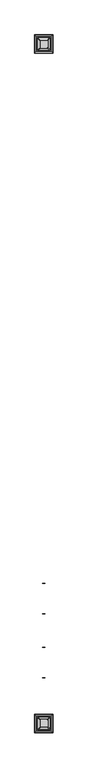
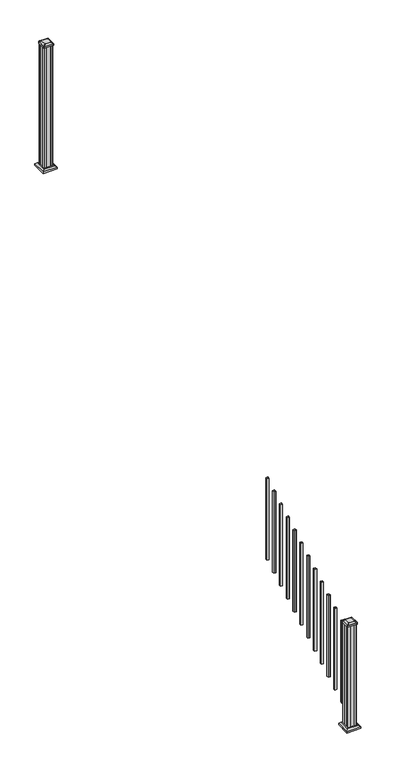
"""IFC4 building model written with IfcOpenShell, lengths in millimetres: railing geometry."""

from ifc_helpers import new_model, si_unit, point, frame, frame_2d, origin, place, context, project, spatial, polyline, circle_curve, trimmed, segment, composite_curve, outline, extrude, faceted_brep, source, transform, mapped, element, save
from ifc_brep_helpers import plane_surface, extruded_surface, advanced_brep


def railing_98dac786(model_context):
    return source(origin(), model_context, "Body", "SolidModel", [
        extrude(outline(polyline([(8375.4692659, 3072.7930319), (8375.4692659, 3091.8430319), (8394.5192659, 3091.8430319), (8394.5192659, 3072.7930319), (8375.4692659, 3072.7930319)]), holes=[polyline([(8375.8661409, 3073.1899069), (8394.1223909, 3073.1899069), (8394.1223909, 3091.4461569), (8375.8661409, 3091.4461569), (8375.8661409, 3073.1899069)])]), frame((0.0, 0.0, 995.0056003), z_axis=(0.0, 0.0, 1.0), x_axis=(1.0, 0.0, 0.0)), (0.0, 0.0, 1.0), 812.8041219),
        extrude(outline(polyline([(8375.4692659, 2961.6680319), (8375.4692659, 2980.7180319), (8394.5192659, 2980.7180319), (8394.5192659, 2961.6680319), (8375.4692659, 2961.6680319)]), holes=[polyline([(8375.8661409, 2962.0649069), (8394.1223909, 2962.0649069), (8394.1223909, 2980.3211569), (8375.8661409, 2980.3211569), (8375.8661409, 2962.0649069)])]), frame((0.0, 0.0, 933.2694892), z_axis=(0.0, 0.0, 1.0), x_axis=(1.0, 0.0, 0.0)), (0.0, 0.0, 1.0), 812.8041219),
        extrude(outline(polyline([(8375.4692659, 2850.5430319), (8375.4692659, 2869.5930319), (8394.5192659, 2869.5930319), (8394.5192659, 2850.5430319), (8375.4692659, 2850.5430319)]), holes=[polyline([(8375.8661409, 2850.9399069), (8394.1223909, 2850.9399069), (8394.1223909, 2869.1961569), (8375.8661409, 2869.1961569), (8375.8661409, 2850.9399069)])]), frame((0.0, 0.0, 871.5333781), z_axis=(0.0, 0.0, 1.0), x_axis=(1.0, 0.0, 0.0)), (0.0, 0.0, 1.0), 812.8041219),
        extrude(outline(polyline([(8375.4692659, 2739.4180319), (8375.4692659, 2758.4680319), (8394.5192659, 2758.4680319), (8394.5192659, 2739.4180319), (8375.4692659, 2739.4180319)]), holes=[polyline([(8375.8661409, 2739.8149069), (8394.1223909, 2739.8149069), (8394.1223909, 2758.0711569), (8375.8661409, 2758.0711569), (8375.8661409, 2739.8149069)])]), frame((0.0, 0.0, 809.797267), z_axis=(0.0, 0.0, 1.0), x_axis=(1.0, 0.0, 0.0)), (0.0, 0.0, 1.0), 812.8041219),
        extrude(outline(polyline([(8375.4692659, 2628.2930319), (8375.4692659, 2647.3430319), (8394.5192659, 2647.3430319), (8394.5192659, 2628.2930319), (8375.4692659, 2628.2930319)]), holes=[polyline([(8375.8661409, 2628.6899069), (8394.1223909, 2628.6899069), (8394.1223909, 2646.9461569), (8375.8661409, 2646.9461569), (8375.8661409, 2628.6899069)])]), frame((0.0, 0.0, 748.0611558), z_axis=(0.0, 0.0, 1.0), x_axis=(1.0, 0.0, 0.0)), (0.0, 0.0, 1.0), 812.8041219),
        extrude(outline(polyline([(8375.4692659, 2517.1680319), (8375.4692659, 2536.2180319), (8394.5192659, 2536.2180319), (8394.5192659, 2517.1680319), (8375.4692659, 2517.1680319)]), holes=[polyline([(8375.8661409, 2517.5649069), (8394.1223909, 2517.5649069), (8394.1223909, 2535.8211569), (8375.8661409, 2535.8211569), (8375.8661409, 2517.5649069)])]), frame((0.0, 0.0, 686.3250447), z_axis=(0.0, 0.0, 1.0), x_axis=(1.0, 0.0, 0.0)), (0.0, 0.0, 1.0), 812.8041219),
        extrude(outline(polyline([(8375.4692659, 2406.0430319), (8375.4692659, 2425.0930319), (8394.5192659, 2425.0930319), (8394.5192659, 2406.0430319), (8375.4692659, 2406.0430319)]), holes=[polyline([(8375.8661409, 2406.4399069), (8394.1223909, 2406.4399069), (8394.1223909, 2424.6961569), (8375.8661409, 2424.6961569), (8375.8661409, 2406.4399069)])]), frame((0.0, 0.0, 624.5889336), z_axis=(0.0, 0.0, 1.0), x_axis=(1.0, 0.0, 0.0)), (0.0, 0.0, 1.0), 812.8041219),
        extrude(outline(polyline([(8375.4692659, 2294.9180319), (8375.4692659, 2313.9680319), (8394.5192659, 2313.9680319), (8394.5192659, 2294.9180319), (8375.4692659, 2294.9180319)]), holes=[polyline([(8375.8661409, 2295.3149069), (8394.1223909, 2295.3149069), (8394.1223909, 2313.5711569), (8375.8661409, 2313.5711569), (8375.8661409, 2295.3149069)])]), frame((0.0, 0.0, 562.8528225), z_axis=(0.0, 0.0, 1.0), x_axis=(1.0, 0.0, 0.0)), (0.0, 0.0, 1.0), 812.8041219),
        extrude(outline(polyline([(8375.4692659, 2183.7930319), (8375.4692659, 2202.8430319), (8394.5192659, 2202.8430319), (8394.5192659, 2183.7930319), (8375.4692659, 2183.7930319)]), holes=[polyline([(8375.8661409, 2184.1899069), (8394.1223909, 2184.1899069), (8394.1223909, 2202.4461569), (8375.8661409, 2202.4461569), (8375.8661409, 2184.1899069)])]), frame((0.0, 0.0, 501.1167114), z_axis=(0.0, 0.0, 1.0), x_axis=(1.0, 0.0, 0.0)), (0.0, 0.0, 1.0), 812.8041219),
        extrude(outline(polyline([(8375.4692659, 2072.6680319), (8375.4692659, 2091.7180319), (8394.5192659, 2091.7180319), (8394.5192659, 2072.6680319), (8375.4692659, 2072.6680319)]), holes=[polyline([(8375.8661409, 2073.0649069), (8394.1223909, 2073.0649069), (8394.1223909, 2091.3211569), (8375.8661409, 2091.3211569), (8375.8661409, 2073.0649069)])]), frame((0.0, 0.0, 439.3806003), z_axis=(0.0, 0.0, 1.0), x_axis=(1.0, 0.0, 0.0)), (0.0, 0.0, 1.0), 812.8041219),
        extrude(outline(polyline([(8375.4692659, 1961.5430319), (8375.4692659, 1980.5930319), (8394.5192659, 1980.5930319), (8394.5192659, 1961.5430319), (8375.4692659, 1961.5430319)]), holes=[polyline([(8375.8661409, 1961.9399069), (8394.1223909, 1961.9399069), (8394.1223909, 1980.1961569), (8375.8661409, 1980.1961569), (8375.8661409, 1961.9399069)])]), frame((0.0, 0.0, 377.6444892), z_axis=(0.0, 0.0, 1.0), x_axis=(1.0, 0.0, 0.0)), (0.0, 0.0, 1.0), 812.8041219),
        extrude(outline(polyline([(8375.4692659, 1850.4180319), (8375.4692659, 1869.4680319), (8394.5192659, 1869.4680319), (8394.5192659, 1850.4180319), (8375.4692659, 1850.4180319)]), holes=[polyline([(8375.8661409, 1850.8149069), (8394.1223909, 1850.8149069), (8394.1223909, 1869.0711569), (8375.8661409, 1869.0711569), (8375.8661409, 1850.8149069)])]), frame((0.0, 0.0, 315.9083781), z_axis=(0.0, 0.0, 1.0), x_axis=(1.0, 0.0, 0.0)), (0.0, 0.0, 1.0), 812.8041219),
        extrude(outline(polyline([(8424.6817659, 6655.7805319), (8405.0602659, 6655.7805319), (8404.2982659, 6657.3680319), (8365.6902659, 6657.3680319), (8364.9282659, 6655.7805319), (8345.3067659, 6655.7805319), (8343.7192659, 6657.3680319), (8343.7192659, 6676.9895319), (8345.3067659, 6677.7515319), (8345.3067659, 6716.3595319), (8343.7192659, 6717.1215319), (8343.7192659, 6736.7430319), (8345.3067659, 6738.3305319), (8364.9282659, 6738.3305319), (8365.6902659, 6736.7430319), (8404.2982659, 6736.7430319), (8405.0602659, 6738.3305319), (8424.6817659, 6738.3305319), (8426.2692659, 6736.7430319), (8426.2692659, 6717.1215319), (8424.6817659, 6716.3595319), (8424.6817659, 6677.7515319), (8426.2692659, 6676.9895319), (8426.2692659, 6657.3680319), (8424.6817659, 6655.7805319)])), frame((0.0, 0.0, 2709.3333333), z_axis=(0.0, 0.0, 1.0), x_axis=(1.0, 0.0, 0.0)), (0.0, 0.0, 1.0), 1223.6281519),
        faceted_brep([(8332.4083284, 6644.4695944, 2737.9083333), (8437.5802034, 6644.4695944, 2737.9083333), (8437.5802034, 6749.6414694, 2737.9083333), (8332.4083284, 6749.6414694, 2737.9083333), (8318.3688753, 6630.4301413, 2724.5733333), (8318.3688753, 6763.6809225, 2724.5733333), (8451.6196565, 6763.6809225, 2724.5733333), (8451.6196565, 6630.4301413, 2724.5733333)], [[[0, 1, 2, 3]], [[4, 5, 6, 7]], [[4, 7, 1, 0]], [[7, 6, 2, 1]], [[6, 5, 3, 2]], [[5, 4, 0, 3]]]),
        extrude(outline(polyline([(8318.3688753, 6630.4301413), (8318.3688753, 6763.6809225), (8451.6196565, 6763.6809225), (8451.6196565, 6630.4301413), (8318.3688753, 6630.4301413)])), frame((0.0, 0.0, 2709.3333333), z_axis=(0.0, 0.0, 1.0), x_axis=(1.0, 0.0, 0.0)), (0.0, 0.0, 1.0), 15.24),
        advanced_brep(
        [(8410.7911409, 6668.0836569, 3961.5364852), (8413.9661409, 6671.2586569, 3961.5364852), (8413.9661409, 6722.8524069, 3961.5364852), (8410.7911409, 6726.0274069, 3961.5364852), (8359.1973909, 6726.0274069, 3961.5364852), (8356.0223909, 6722.8524069, 3961.5364852), (8356.0223909, 6671.2586569, 3961.5364852), (8359.1973909, 6668.0836569, 3961.5364852), (8427.0630159, 6651.8117819, 3950.2334852), (8342.9255159, 6651.8117819, 3950.2334852), (8339.7505159, 6654.9867819, 3950.2334852), (8339.7505159, 6739.1242819, 3950.2334852), (8342.9255159, 6742.2992819, 3950.2334852), (8427.0630159, 6742.2992819, 3950.2334852), (8430.2380159, 6739.1242819, 3950.2334852), (8430.2380159, 6654.9867819, 3950.2334852)],
        [
            (0, 1, circle_curve(frame((8410.7911409, 6671.2586569, 3961.5364852), z_axis=(0.0, 0.0, 1.0), x_axis=(0.0, 1.0, 0.0)), 3.175)),
            (1, 2),
            (2, 3, circle_curve(frame((8410.7911409, 6722.8524069, 3961.5364852), z_axis=(0.0, 0.0, 1.0), x_axis=(0.0, 1.0, 0.0)), 3.175)),
            (3, 4),
            (4, 5, circle_curve(frame((8359.1973909, 6722.8524069, 3961.5364852), z_axis=(0.0, 0.0, 1.0), x_axis=(0.0, 1.0, 0.0)), 3.175)),
            (5, 6),
            (6, 7, circle_curve(frame((8359.1973909, 6671.2586569, 3961.5364852), z_axis=(0.0, 0.0, 1.0), x_axis=(0.0, 1.0, 0.0)), 3.175)),
            (7, 0),
            (8, 9),
            (9, 10, circle_curve(frame((8342.9255159, 6654.9867819, 3950.2334852), z_axis=(0.0, 0.0, -1.0), x_axis=(0.0, 1.0, 0.0)), 3.175)),
            (10, 11),
            (11, 12, circle_curve(frame((8342.9255159, 6739.1242819, 3950.2334852), z_axis=(0.0, 0.0, -1.0), x_axis=(0.0, 1.0, 0.0)), 3.175)),
            (12, 13),
            (13, 14, circle_curve(frame((8427.0630159, 6739.1242819, 3950.2334852), z_axis=(0.0, 0.0, -1.0), x_axis=(0.0, 1.0, 0.0)), 3.175)),
            (14, 15),
            (15, 8, circle_curve(frame((8427.0630159, 6654.9867819, 3950.2334852), z_axis=(0.0, 0.0, -1.0), x_axis=(0.0, 1.0, 0.0)), 3.175)),
            (15, 1),
            (0, 8),
            (14, 2),
            (13, 3),
            (12, 4),
            (11, 5),
            (10, 6),
            (9, 7),
        ],
        [
            plane_surface(frame((8384.9942659, 6697.0555319, 3961.5364852), z_axis=(0.0, 0.0, 1.0), x_axis=(1.0, 0.0, 0.0))),
            plane_surface(frame((8384.9942659, 6697.0555319, 3950.2334852), z_axis=(0.0, 0.0, -1.0), x_axis=(1.0, 0.0, 0.0))),
            extruded_surface(trimmed(circle_curve(frame((8427.0630159, 6654.9867819, 3950.2334852), z_axis=(0.0, 0.0, 1.0), x_axis=(0.0, 1.0, 0.0)), 3.175), [point((8427.0630159, 6651.8117819, 3950.2334852))], [point((8430.2380159, 6654.9867819, 3950.2334852))], True, "CARTESIAN"), (-16.271874999998545, 16.271874999999454, 11.302999999999884), 25.63797263886484),
            plane_surface(frame((8430.2380159, 6697.0555319, 3950.2334852), z_axis=(0.5705009161540687, 0.0, 0.8212969649690472), x_axis=(0.0, 1.0, 0.0))),
            extruded_surface(trimmed(circle_curve(frame((8427.0630159, 6739.1242819, 3950.2334852), z_axis=(0.0, 0.0, 1.0), x_axis=(0.0, 1.0, 0.0)), 3.175), [point((8430.2380159, 6739.1242819, 3950.2334852))], [point((8427.0630159, 6742.2992819, 3950.2334852))], True, "CARTESIAN"), (-16.271874999998545, -16.271875000000364, 11.302999999999884), 25.63797263886542),
            plane_surface(frame((8384.9942659, 6742.2992819, 3950.2334852), z_axis=(0.0, 0.5705009161540291, 0.8212969649690747), x_axis=(-1.0, 0.0, 0.0))),
            extruded_surface(trimmed(circle_curve(frame((8342.9255159, 6739.1242819, 3950.2334852), z_axis=(0.0, 0.0, 1.0), x_axis=(0.0, 1.0, 0.0)), 3.175), [point((8342.9255159, 6742.2992819, 3950.2334852))], [point((8339.7505159, 6739.1242819, 3950.2334852))], True, "CARTESIAN"), (16.271875000000364, -16.271875000000364, 11.302999999999884), 25.63797263886657),
            plane_surface(frame((8339.7505159, 6697.0555319, 3950.2334852), z_axis=(-0.5705009161540233, 0.0, 0.8212969649690787), x_axis=(0.0, -1.0, 0.0))),
            extruded_surface(trimmed(circle_curve(frame((8342.9255159, 6654.9867819, 3950.2334852), z_axis=(0.0, 0.0, 1.0), x_axis=(0.0, 1.0, 0.0)), 3.175), [point((8339.7505159, 6654.9867819, 3950.2334852))], [point((8342.9255159, 6651.8117819, 3950.2334852))], True, "CARTESIAN"), (16.271875000000364, 16.271874999999454, 11.302999999999884), 25.637972638865996),
            plane_surface(frame((8384.9942659, 6651.8117819, 3950.2334852), z_axis=(0.0, -0.570500916154034, 0.8212969649690713), x_axis=(1.0, 0.0, 0.0))),
        ],
        [
            (0, [[1, 2, 3, 4, 5, 6, 7, 8]]),
            (1, [[9, 10, 11, 12, 13, 14, 15, 16]]),
            (2, [[-16, 17, -1, 18]]),
            (3, [[-15, 19, -2, -17]]),
            (4, [[-14, 20, -3, -19]]),
            (5, [[-13, 21, -4, -20]]),
            (6, [[-12, 22, -5, -21]]),
            (7, [[-11, 23, -6, -22]]),
            (8, [[-10, 24, -7, -23]]),
            (9, [[-9, -18, -8, -24]]),
        ],
    ),
        extrude(outline(composite_curve([segment(polyline([(8427.0630159, 6651.8117819), (8342.9255159, 6651.8117819)]), True, "CONTINUOUS"), segment(trimmed(circle_curve(frame_2d((8342.9255159, 6654.9867819)), 3.175), [point((8342.9255159, 6651.8117819))], [point((8339.7505159, 6654.9867819))], False, "CARTESIAN"), True, "CONTINUOUS"), segment(polyline([(8339.7505159, 6654.9867819), (8339.7505159, 6739.1242819)]), True, "CONTINUOUS"), segment(trimmed(circle_curve(frame_2d((8342.9255159, 6739.1242819)), 3.175), [point((8339.7505159, 6739.1242819))], [point((8342.9255159, 6742.2992819))], False, "CARTESIAN"), True, "CONTINUOUS"), segment(polyline([(8342.9255159, 6742.2992819), (8427.0630159, 6742.2992819)]), True, "CONTINUOUS"), segment(trimmed(circle_curve(frame_2d((8427.0630159, 6739.1242819)), 3.175), [point((8427.0630159, 6742.2992819))], [point((8430.2380159, 6739.1242819))], False, "CARTESIAN"), True, "CONTINUOUS"), segment(polyline([(8430.2380159, 6739.1242819), (8430.2380159, 6654.9867819)]), True, "CONTINUOUS"), segment(trimmed(circle_curve(frame_2d((8427.0630159, 6654.9867819)), 3.175), [point((8430.2380159, 6654.9867819))], [point((8427.0630159, 6651.8117819))], False, "CARTESIAN"), True, "CONTINUOUS")], self_intersect=False)), frame((0.0, 0.0, 3932.9614852), z_axis=(0.0, 0.0, 1.0), x_axis=(1.0, 0.0, 0.0)), (0.0, 0.0, 1.0), 17.272),
        faceted_brep([(8332.4083284, 1685.1195944, 174.9777778), (8437.5802034, 1685.1195944, 174.9777778), (8437.5802034, 1790.2914694, 174.9777778), (8332.4083284, 1790.2914694, 174.9777778), (8318.3688753, 1671.0801413, 161.6427778), (8318.3688753, 1804.3309225, 161.6427778), (8451.6196565, 1804.3309225, 161.6427778), (8451.6196565, 1671.0801413, 161.6427778)], [[[0, 1, 2, 3]], [[4, 5, 6, 7]], [[4, 7, 1, 0]], [[7, 6, 2, 1]], [[6, 5, 3, 2]], [[5, 4, 0, 3]]]),
        extrude(outline(polyline([(8318.3688753, 1671.0801413), (8318.3688753, 1804.3309225), (8451.6196565, 1804.3309225), (8451.6196565, 1671.0801413), (8318.3688753, 1671.0801413)])), frame((0.0, 0.0, 146.4027778), z_axis=(0.0, 0.0, 1.0), x_axis=(1.0, 0.0, 0.0)), (0.0, 0.0, 1.0), 15.24),
        advanced_brep(
        [(8410.7911409, 1708.7336569, 1206.3420408), (8413.9661409, 1711.9086569, 1206.3420408), (8413.9661409, 1763.5024069, 1206.3420408), (8410.7911409, 1766.6774069, 1206.3420408), (8359.1973909, 1766.6774069, 1206.3420408), (8356.0223909, 1763.5024069, 1206.3420408), (8356.0223909, 1711.9086569, 1206.3420408), (8359.1973909, 1708.7336569, 1206.3420408), (8427.0630159, 1692.4617819, 1195.0390408), (8342.9255159, 1692.4617819, 1195.0390408), (8339.7505159, 1695.6367819, 1195.0390408), (8339.7505159, 1779.7742819, 1195.0390408), (8342.9255159, 1782.9492819, 1195.0390408), (8427.0630159, 1782.9492819, 1195.0390408), (8430.2380159, 1779.7742819, 1195.0390408), (8430.2380159, 1695.6367819, 1195.0390408)],
        [
            (0, 1, circle_curve(frame((8410.7911409, 1711.9086569, 1206.3420408), z_axis=(0.0, 0.0, 1.0), x_axis=(0.0, 1.0, 0.0)), 3.175)),
            (1, 2),
            (2, 3, circle_curve(frame((8410.7911409, 1763.5024069, 1206.3420408), z_axis=(0.0, 0.0, 1.0), x_axis=(0.0, 1.0, 0.0)), 3.175)),
            (3, 4),
            (4, 5, circle_curve(frame((8359.1973909, 1763.5024069, 1206.3420408), z_axis=(0.0, 0.0, 1.0), x_axis=(0.0, 1.0, 0.0)), 3.175)),
            (5, 6),
            (6, 7, circle_curve(frame((8359.1973909, 1711.9086569, 1206.3420408), z_axis=(0.0, 0.0, 1.0), x_axis=(0.0, 1.0, 0.0)), 3.175)),
            (7, 0),
            (8, 9),
            (9, 10, circle_curve(frame((8342.9255159, 1695.6367819, 1195.0390408), z_axis=(0.0, 0.0, -1.0), x_axis=(0.0, 1.0, 0.0)), 3.175)),
            (10, 11),
            (11, 12, circle_curve(frame((8342.9255159, 1779.7742819, 1195.0390408), z_axis=(0.0, 0.0, -1.0), x_axis=(0.0, 1.0, 0.0)), 3.175)),
            (12, 13),
            (13, 14, circle_curve(frame((8427.0630159, 1779.7742819, 1195.0390408), z_axis=(0.0, 0.0, -1.0), x_axis=(0.0, 1.0, 0.0)), 3.175)),
            (14, 15),
            (15, 8, circle_curve(frame((8427.0630159, 1695.6367819, 1195.0390408), z_axis=(0.0, 0.0, -1.0), x_axis=(0.0, 1.0, 0.0)), 3.175)),
            (15, 1),
            (0, 8),
            (14, 2),
            (13, 3),
            (12, 4),
            (11, 5),
            (10, 6),
            (9, 7),
        ],
        [
            plane_surface(frame((8384.9942659, 1737.7055319, 1206.3420408), z_axis=(0.0, 0.0, 1.0), x_axis=(1.0, 0.0, 0.0))),
            plane_surface(frame((8384.9942659, 1737.7055319, 1195.0390408), z_axis=(0.0, 0.0, -1.0), x_axis=(1.0, 0.0, 0.0))),
            extruded_surface(trimmed(circle_curve(frame((8427.0630159, 1695.6367819, 1195.0390408), z_axis=(0.0, 0.0, 1.0), x_axis=(0.0, 1.0, 0.0)), 3.175), [point((8427.0630159, 1692.4617819, 1195.0390408))], [point((8430.2380159, 1695.6367819, 1195.0390408))], True, "CARTESIAN"), (-16.271874999998545, 16.271875000000136, 11.302999999999884), 25.637972638865275),
            plane_surface(frame((8430.2380159, 1737.7055319, 1195.0390408), z_axis=(0.5705009161540778, 0.0, 0.8212969649690408), x_axis=(0.0, 1.0, 0.0))),
            extruded_surface(trimmed(circle_curve(frame((8427.0630159, 1779.7742819, 1195.0390408), z_axis=(0.0, 0.0, 1.0), x_axis=(0.0, 1.0, 0.0)), 3.175), [point((8430.2380159, 1779.7742819, 1195.0390408))], [point((8427.0630159, 1782.9492819, 1195.0390408))], True, "CARTESIAN"), (-16.271874999998545, -16.27187499999991, 11.302999999999884), 25.63797263886513),
            plane_surface(frame((8384.9942659, 1782.9492819, 1195.0390408), z_axis=(0.0, 0.5705009161540291, 0.8212969649690747), x_axis=(-1.0, 0.0, 0.0))),
            extruded_surface(trimmed(circle_curve(frame((8342.9255159, 1779.7742819, 1195.0390408), z_axis=(0.0, 0.0, 1.0), x_axis=(0.0, 1.0, 0.0)), 3.175), [point((8342.9255159, 1782.9492819, 1195.0390408))], [point((8339.7505159, 1779.7742819, 1195.0390408))], True, "CARTESIAN"), (16.271875000000364, -16.27187499999991, 11.302999999999884), 25.637972638866284),
            plane_surface(frame((8339.7505159, 1737.7055319, 1195.0390408), z_axis=(-0.5705009161540142, 0.0, 0.8212969649690851), x_axis=(0.0, -1.0, 0.0))),
            extruded_surface(trimmed(circle_curve(frame((8342.9255159, 1695.6367819, 1195.0390408), z_axis=(0.0, 0.0, 1.0), x_axis=(0.0, 1.0, 0.0)), 3.175), [point((8339.7505159, 1695.6367819, 1195.0390408))], [point((8342.9255159, 1692.4617819, 1195.0390408))], True, "CARTESIAN"), (16.271875000000364, 16.271875000000136, 11.302999999999884), 25.637972638866426),
            plane_surface(frame((8384.9942659, 1692.4617819, 1195.0390408), z_axis=(0.0, -0.570500916154034, 0.8212969649690713), x_axis=(1.0, 0.0, 0.0))),
        ],
        [
            (0, [[1, 2, 3, 4, 5, 6, 7, 8]]),
            (1, [[9, 10, 11, 12, 13, 14, 15, 16]]),
            (2, [[-16, 17, -1, 18]]),
            (3, [[-15, 19, -2, -17]]),
            (4, [[-14, 20, -3, -19]]),
            (5, [[-13, 21, -4, -20]]),
            (6, [[-12, 22, -5, -21]]),
            (7, [[-11, 23, -6, -22]]),
            (8, [[-10, 24, -7, -23]]),
            (9, [[-9, -18, -8, -24]]),
        ],
    ),
        extrude(outline(composite_curve([segment(polyline([(8427.0630159, 1692.4617819), (8342.9255159, 1692.4617819)]), True, "CONTINUOUS"), segment(trimmed(circle_curve(frame_2d((8342.9255159, 1695.6367819)), 3.175), [point((8342.9255159, 1692.4617819))], [point((8339.7505159, 1695.6367819))], False, "CARTESIAN"), True, "CONTINUOUS"), segment(polyline([(8339.7505159, 1695.6367819), (8339.7505159, 1779.7742819)]), True, "CONTINUOUS"), segment(trimmed(circle_curve(frame_2d((8342.9255159, 1779.7742819)), 3.175), [point((8339.7505159, 1779.7742819))], [point((8342.9255159, 1782.9492819))], False, "CARTESIAN"), True, "CONTINUOUS"), segment(polyline([(8342.9255159, 1782.9492819), (8427.0630159, 1782.9492819)]), True, "CONTINUOUS"), segment(trimmed(circle_curve(frame_2d((8427.0630159, 1779.7742819)), 3.175), [point((8427.0630159, 1782.9492819))], [point((8430.2380159, 1779.7742819))], False, "CARTESIAN"), True, "CONTINUOUS"), segment(polyline([(8430.2380159, 1779.7742819), (8430.2380159, 1695.6367819)]), True, "CONTINUOUS"), segment(trimmed(circle_curve(frame_2d((8427.0630159, 1695.6367819)), 3.175), [point((8430.2380159, 1695.6367819))], [point((8427.0630159, 1692.4617819))], False, "CARTESIAN"), True, "CONTINUOUS")], self_intersect=False)), frame((0.0, 0.0, 1177.7670408), z_axis=(0.0, 0.0, 1.0), x_axis=(1.0, 0.0, 0.0)), (0.0, 0.0, 1.0), 17.272),
        extrude(outline(polyline([(8424.6817659, 1696.4305319), (8405.0602659, 1696.4305319), (8404.2982659, 1698.0180319), (8365.6902659, 1698.0180319), (8364.9282659, 1696.4305319), (8345.3067659, 1696.4305319), (8343.7192659, 1698.0180319), (8343.7192659, 1717.6395319), (8345.3067659, 1718.4015319), (8345.3067659, 1757.0095319), (8343.7192659, 1757.7715319), (8343.7192659, 1777.3930319), (8345.3067659, 1778.9805319), (8364.9282659, 1778.9805319), (8365.6902659, 1777.3930319), (8404.2982659, 1777.3930319), (8405.0602659, 1778.9805319), (8424.6817659, 1778.9805319), (8426.2692659, 1777.3930319), (8426.2692659, 1757.7715319), (8424.6817659, 1757.0095319), (8424.6817659, 1718.4015319), (8426.2692659, 1717.6395319), (8426.2692659, 1698.0180319), (8424.6817659, 1696.4305319)])), frame((0.0, 0.0, 146.4027778), z_axis=(0.0, 0.0, 1.0), x_axis=(1.0, 0.0, 0.0)), (0.0, 0.0, 1.0), 1031.364263),
    ])


if __name__ == "__main__":
    model = new_model("IFC4")
    model_context = context("Model", 3, world=origin())
    ifc_project = project(units=[si_unit("LENGTHUNIT", "METRE", prefix="MILLI")], contexts=[model_context])
    site = spatial("IfcSite", under=ifc_project)
    building = spatial("IfcBuilding", under=site)
    placement = place(None, origin())
    railing_shape = railing_98dac786(model_context)
    element("IfcRailing", 1, at=placement, inside=building, context=model_context, shape_type="MappedRepresentation", body=[
        mapped(railing_shape, transform((0.0, 0.0, 0.0), x_axis=(1.0, 0.0, 0.0), y_axis=(0.0, 1.0, 0.0), z_axis=(0.0, 0.0, 1.0))),
    ])
    save(model, "model.ifc")
